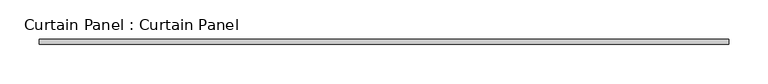
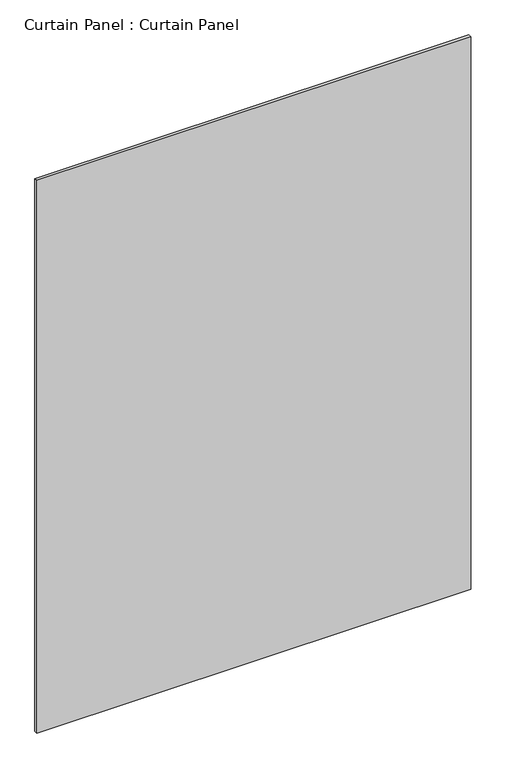
"""IFC4 building model written with IfcOpenShell, lengths in millimetres: plate geometry, Curtain Panel : Curtain Panel."""

from ifc_helpers import new_model, si_unit, frame, origin, place, context, project, spatial, polyline, outline, extrude, source, transform, mapped, element, save


def curtain_panel_curtain_panel_217a633b(model_context):
    return source(origin(), model_context, "Body", "SweptSolid", [
        extrude(outline(polyline([(-30356.2634439, -2014.0258286), (-31234.1890439, -2014.0258286), (-31234.1890439, -2007.6758286), (-30356.2634439, -2007.6758286), (-30356.2634439, -2014.0258286)])), frame((0.0, 0.0, 23.7744), z_axis=(0.0, 0.0, 1.0), x_axis=(1.0, 0.0, 0.0)), (0.0, 0.0, 1.0), 1181.6704793),
    ])


if __name__ == "__main__":
    model = new_model("IFC4")
    model_context = context("Model", 3, world=origin())
    ifc_project = project(units=[si_unit("LENGTHUNIT", "METRE", prefix="MILLI")], contexts=[model_context])
    site = spatial("IfcSite", under=ifc_project)
    building = spatial("IfcBuilding", under=site)
    placement = place(None, origin())
    curtain_panel_curtain_panel_shape = curtain_panel_curtain_panel_217a633b(model_context)
    element("IfcPlate", 1, ObjectType="Curtain Panel : Curtain Panel", at=placement, inside=building, context=model_context, shape_type="MappedRepresentation", body=[
        mapped(curtain_panel_curtain_panel_shape, transform((0.0, 0.0, 0.0), x_axis=(1.0, 0.0, 0.0), y_axis=(0.0, 1.0, 0.0), z_axis=(0.0, 0.0, 1.0))),
    ])
    save(model, "model.ifc")
